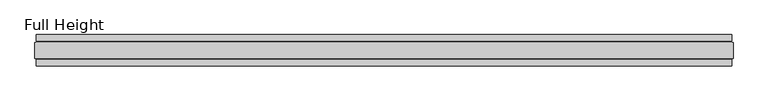
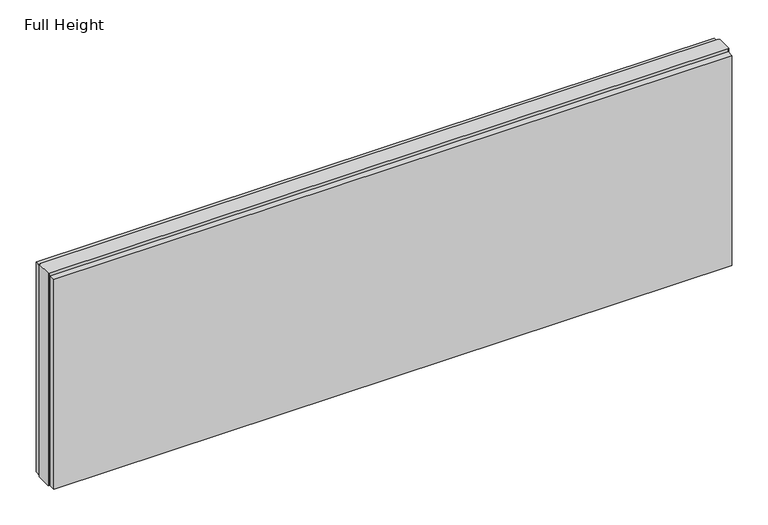
"""IFC4 building model written with IfcOpenShell, lengths in millimetres: plate geometry, Full Height."""

from ifc_helpers import new_model, si_unit, origin, origin_with_axes, place, context, project, spatial, polyline, outline, extrude, source, transform, mapped, element, save


def full_height_215e7f1d(model_context):
    return source(origin(), model_context, "Body", "SweptSolid", [
        extrude(outline(polyline([(1100.328, 28.956), (-1100.328, 28.956), (-1100.328, 49.53), (1100.328, 49.53), (1100.328, 28.956)])), origin_with_axes(), (0.0, 0.0, 1.0), 720.852),
        extrude(outline(polyline([(1100.328, -28.956), (1100.328, -49.53), (-1100.328, -49.53), (-1100.328, -28.956), (1100.328, -28.956)])), origin_with_axes(), (0.0, 0.0, 1.0), 720.852),
        extrude(outline(polyline([(1100.328, -25.146), (1100.328, -26.67), (-1100.328, -26.67), (-1100.328, -25.146), (-1104.9, -25.146), (-1104.9, 25.146), (-1100.328, 25.146), (-1100.328, 26.67), (1100.328, 26.67), (1100.328, 25.146), (1104.9, 25.146), (1104.9, -25.146), (1100.328, -25.146)])), origin_with_axes(), (0.0, 0.0, 1.0), 729.996),
    ])


if __name__ == "__main__":
    model = new_model("IFC4")
    model_context = context("Model", 3, world=origin())
    ifc_project = project(units=[si_unit("LENGTHUNIT", "METRE", prefix="MILLI")], contexts=[model_context])
    site = spatial("IfcSite", under=ifc_project)
    building = spatial("IfcBuilding", under=site)
    placement = place(None, origin())
    full_height_shape = full_height_215e7f1d(model_context)
    element("IfcPlate", 1, ObjectType="Full Height", at=placement, inside=building, context=model_context, shape_type="MappedRepresentation", body=[
        mapped(full_height_shape, transform((0.0, 0.0, 0.0), x_axis=(1.0, 0.0, 0.0), y_axis=(0.0, 1.0, 0.0), z_axis=(0.0, 0.0, 1.0))),
    ])
    save(model, "model.ifc")
